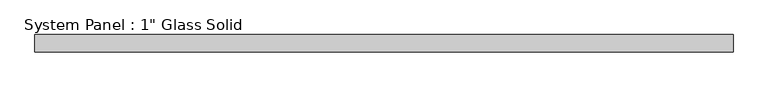
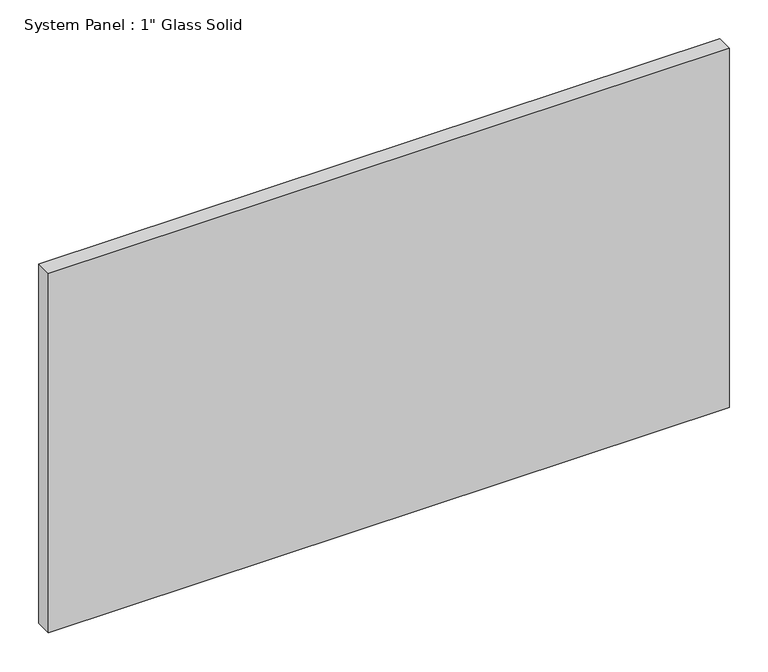
"""IFC4 building model written with IfcOpenShell, lengths in millimetres: plate geometry."""

from ifc_helpers import new_model, si_unit, origin, origin_with_axes, place, context, project, spatial, polyline, outline, extrude, source, transform, mapped, element, save


def plate_b007619a(model_context):
    return source(origin(), model_context, "Body", "SweptSolid", [
        extrude(outline(polyline([(509.0583333, -12.7), (-509.0583333, -12.7), (-509.0583333, 12.7), (509.0583333, 12.7), (509.0583333, -12.7)])), origin_with_axes(), (0.0, 0.0, 1.0), 568.325),
    ])


if __name__ == "__main__":
    model = new_model("IFC4")
    model_context = context("Model", 3, world=origin())
    ifc_project = project(units=[si_unit("LENGTHUNIT", "METRE", prefix="MILLI")], contexts=[model_context])
    site = spatial("IfcSite", under=ifc_project)
    building = spatial("IfcBuilding", under=site)
    placement = place(None, origin())
    plate_shape = plate_b007619a(model_context)
    element("IfcPlate", 1, ObjectType="System Panel : 1\" Glass Solid", at=placement, inside=building, context=model_context, shape_type="MappedRepresentation", body=[
        mapped(plate_shape, transform((0.0, 0.0, 0.0), x_axis=(1.0, 0.0, 0.0), y_axis=(0.0, 1.0, 0.0), z_axis=(0.0, 0.0, 1.0))),
    ])
    save(model, "model.ifc")
